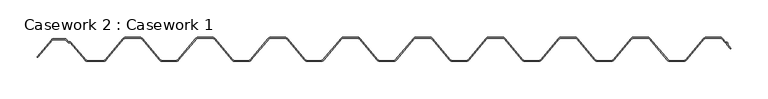
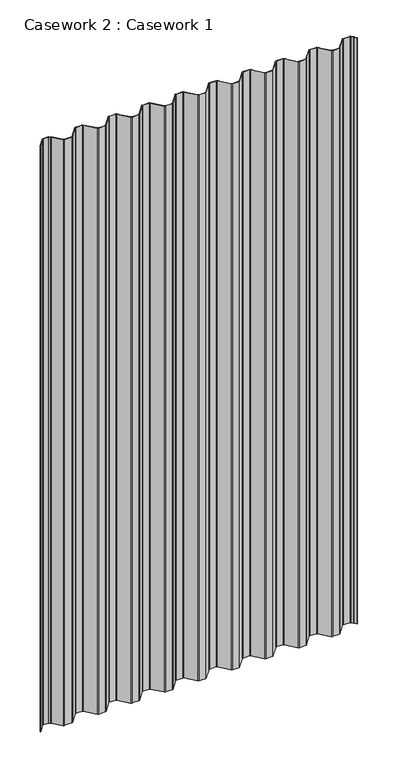
"""IFC4 building model written with IfcOpenShell, lengths in millimetres: furniture geometry, Casework 2 : Casework 1."""

from ifc_helpers import new_model, si_unit, point, frame, frame_2d, origin, place, context, project, spatial, polyline, circle_curve, trimmed, segment, composite_curve, outline, extrude, source, transform, mapped, element, save


def casework_2_casework_1_61cee56f(model_context):
    return source(origin(), model_context, "Body", "SweptSolid", [
        extrude(outline(composite_curve([segment(polyline([(14970.6371749, 641.4396721), (14970.8426386, 643.672881), (14968.6094297, 643.8783447), (14964.1903616, 649.1929472)]), True, "CONTINUOUS"), segment(trimmed(circle_curve(frame_2d((14961.893565, 647.2629924)), 3.0), [point((14964.1903616, 649.1929472))], [point((14961.893565, 650.2629924))], True, "CARTESIAN"), True, "CONTINUOUS"), segment(polyline([(14961.893565, 650.2629924), (14942.8935645, 650.2629919)]), True, "CONTINUOUS"), segment(trimmed(circle_curve(frame_2d((14942.8935646, 647.2629919)), 3.0), [point((14942.8935645, 650.2629919))], [point((14940.5999142, 649.1966847))], True, "CARTESIAN"), True, "CONTINUOUS"), segment(polyline([(14940.5999142, 649.1966847), (14916.3517655, 620.4347353)]), True, "CONTINUOUS"), segment(trimmed(circle_curve(frame_2d((14913.293565, 623.0129924)), 4.0), [point((14916.3517655, 620.4347353))], [point((14913.293565, 619.0129924))], False, "CARTESIAN"), True, "CONTINUOUS"), segment(polyline([(14913.293565, 619.0129924), (14894.273565, 619.0129924)]), True, "CONTINUOUS"), segment(trimmed(circle_curve(frame_2d((14894.273565, 623.0129924)), 4.0), [point((14894.273565, 619.0129924))], [point((14891.2153653, 620.4347344))], False, "CARTESIAN"), True, "CONTINUOUS"), segment(polyline([(14891.2153653, 620.4347344), (14866.9723112, 649.1906242)]), True, "CONTINUOUS"), segment(trimmed(circle_curve(frame_2d((14864.673565, 647.2629919)), 3.0), [point((14866.9723112, 649.1906242))], [point((14864.6735651, 650.2629919))], True, "CARTESIAN"), True, "CONTINUOUS"), segment(polyline([(14864.6735651, 650.2629919), (14845.6735651, 650.2629924)]), True, "CONTINUOUS"), segment(trimmed(circle_curve(frame_2d((14845.673565, 647.2629924)), 3.0), [point((14845.6735651, 650.2629924))], [point((14843.3747391, 649.1905296))], True, "CARTESIAN"), True, "CONTINUOUS"), segment(polyline([(14843.3747391, 649.1905296), (14819.1369428, 620.4408889)]), True, "CONTINUOUS"), segment(trimmed(circle_curve(frame_2d((14816.073565, 623.0129924)), 4.0), [point((14819.1369428, 620.4408889))], [point((14816.073565, 619.0129924))], False, "CARTESIAN"), True, "CONTINUOUS"), segment(polyline([(14816.073565, 619.0129924), (14797.051565, 619.0129924)]), True, "CONTINUOUS"), segment(trimmed(circle_curve(frame_2d((14797.051565, 623.0129924)), 4.0), [point((14797.051565, 619.0129924))], [point((14793.9881873, 620.4408889))], False, "CARTESIAN"), True, "CONTINUOUS"), segment(polyline([(14793.9881873, 620.4408889), (14769.7503113, 649.1906241)]), True, "CONTINUOUS"), segment(trimmed(circle_curve(frame_2d((14767.451565, 647.2629919)), 3.0), [point((14769.7503113, 649.1906241))], [point((14767.451565, 650.2629919))], True, "CARTESIAN"), True, "CONTINUOUS"), segment(polyline([(14767.451565, 650.2629919), (14748.4533174, 650.2629919)]), True, "CONTINUOUS"), segment(trimmed(circle_curve(frame_2d((14748.451565, 647.2629924)), 3.0), [point((14748.4533174, 650.2629919))], [point((14746.1579147, 649.1966852))], True, "CARTESIAN"), True, "CONTINUOUS"), segment(polyline([(14746.1579147, 649.1966852), (14721.9097655, 620.4347353)]), True, "CONTINUOUS"), segment(trimmed(circle_curve(frame_2d((14718.851565, 623.0129924)), 4.0), [point((14721.9097655, 620.4347353))], [point((14718.851565, 619.0129924))], False, "CARTESIAN"), True, "CONTINUOUS"), segment(polyline([(14718.851565, 619.0129924), (14699.829565, 619.0129924)]), True, "CONTINUOUS"), segment(trimmed(circle_curve(frame_2d((14699.829565, 623.0129924)), 4.0), [point((14699.829565, 619.0129924))], [point((14696.7661873, 620.4408889))], False, "CARTESIAN"), True, "CONTINUOUS"), segment(polyline([(14696.7661873, 620.4408889), (14672.5283113, 649.1906241)]), True, "CONTINUOUS"), segment(trimmed(circle_curve(frame_2d((14670.229565, 647.2629919)), 3.0), [point((14672.5283113, 649.1906241))], [point((14670.229565, 650.2629919))], True, "CARTESIAN"), True, "CONTINUOUS"), segment(polyline([(14670.229565, 650.2629919), (14651.2313174, 650.2629919)]), True, "CONTINUOUS"), segment(trimmed(circle_curve(frame_2d((14651.229565, 647.2629924)), 3.0), [point((14651.2313174, 650.2629919))], [point((14648.9359151, 649.1966857))], True, "CARTESIAN"), True, "CONTINUOUS"), segment(polyline([(14648.9359151, 649.1966857), (14624.6929428, 620.4408889)]), True, "CONTINUOUS"), segment(trimmed(circle_curve(frame_2d((14621.629565, 623.0129924)), 4.0), [point((14624.6929428, 620.4408889))], [point((14621.629565, 619.0129924))], False, "CARTESIAN"), True, "CONTINUOUS"), segment(polyline([(14621.629565, 619.0129924), (14602.607565, 619.0129924)]), True, "CONTINUOUS"), segment(trimmed(circle_curve(frame_2d((14602.607565, 623.0129924)), 4.0), [point((14602.607565, 619.0129924))], [point((14599.5441873, 620.4408889))], False, "CARTESIAN"), True, "CONTINUOUS"), segment(polyline([(14599.5441873, 620.4408889), (14575.3063113, 649.1906241)]), True, "CONTINUOUS"), segment(trimmed(circle_curve(frame_2d((14573.007565, 647.2629919)), 3.0), [point((14575.3063113, 649.1906241))], [point((14573.0075651, 650.2629919))], True, "CARTESIAN"), True, "CONTINUOUS"), segment(polyline([(14573.0075651, 650.2629919), (14554.0075651, 650.2629924)]), True, "CONTINUOUS"), segment(trimmed(circle_curve(frame_2d((14554.007565, 647.2629924)), 3.0), [point((14554.0075651, 650.2629924))], [point((14551.7087392, 649.1905297))], True, "CARTESIAN"), True, "CONTINUOUS"), segment(polyline([(14551.7087392, 649.1905297), (14527.4657648, 620.4347344)]), True, "CONTINUOUS"), segment(trimmed(circle_curve(frame_2d((14524.407565, 623.0129924)), 4.0), [point((14527.4657648, 620.4347344))], [point((14524.407565, 619.0129924))], False, "CARTESIAN"), True, "CONTINUOUS"), segment(polyline([(14524.407565, 619.0129924), (14505.385565, 619.0129924)]), True, "CONTINUOUS"), segment(trimmed(circle_curve(frame_2d((14505.385565, 623.0129924)), 4.0), [point((14505.385565, 619.0129924))], [point((14502.3273645, 620.4347353))], False, "CARTESIAN"), True, "CONTINUOUS"), segment(polyline([(14502.3273645, 620.4347353), (14478.0792154, 649.1966852)]), True, "CONTINUOUS"), segment(trimmed(circle_curve(frame_2d((14475.785565, 647.2629924)), 3.0), [point((14478.0792154, 649.1966852))], [point((14475.785565, 650.2629924))], True, "CARTESIAN"), True, "CONTINUOUS"), segment(polyline([(14475.785565, 650.2629924), (14456.7855645, 650.2629919)]), True, "CONTINUOUS"), segment(trimmed(circle_curve(frame_2d((14456.7855646, 647.2629919)), 3.0), [point((14456.7855645, 650.2629919))], [point((14454.4919146, 649.1966852))], True, "CARTESIAN"), True, "CONTINUOUS"), segment(polyline([(14454.4919146, 649.1966852), (14430.2489428, 620.4408889)]), True, "CONTINUOUS"), segment(trimmed(circle_curve(frame_2d((14427.185565, 623.0129924)), 4.0), [point((14430.2489428, 620.4408889))], [point((14427.185565, 619.0129924))], False, "CARTESIAN"), True, "CONTINUOUS"), segment(polyline([(14427.185565, 619.0129924), (14408.161565, 619.0129924)]), True, "CONTINUOUS"), segment(trimmed(circle_curve(frame_2d((14408.161565, 623.0129924)), 4.0), [point((14408.161565, 619.0129924))], [point((14405.0981873, 620.4408889))], False, "CARTESIAN"), True, "CONTINUOUS"), segment(polyline([(14405.0981873, 620.4408889), (14380.8603113, 649.1906241)]), True, "CONTINUOUS"), segment(trimmed(circle_curve(frame_2d((14378.561565, 647.2629919)), 3.0), [point((14380.8603113, 649.1906241))], [point((14378.5615651, 650.2629919))], True, "CARTESIAN"), True, "CONTINUOUS"), segment(polyline([(14378.5615651, 650.2629919), (14359.5615651, 650.2629924)]), True, "CONTINUOUS"), segment(trimmed(circle_curve(frame_2d((14359.561565, 647.2629924)), 3.0), [point((14359.5615651, 650.2629924))], [point((14357.2627391, 649.1905296))], True, "CARTESIAN"), True, "CONTINUOUS"), segment(polyline([(14357.2627391, 649.1905296), (14333.0249428, 620.4408889)]), True, "CONTINUOUS"), segment(trimmed(circle_curve(frame_2d((14329.961565, 623.0129924)), 4.0), [point((14333.0249428, 620.4408889))], [point((14329.961565, 619.0129924))], False, "CARTESIAN"), True, "CONTINUOUS"), segment(polyline([(14329.961565, 619.0129924), (14310.939565, 619.0129924)]), True, "CONTINUOUS"), segment(trimmed(circle_curve(frame_2d((14310.939565, 623.0129924)), 4.0), [point((14310.939565, 619.0129924))], [point((14307.8761873, 620.4408889))], False, "CARTESIAN"), True, "CONTINUOUS"), segment(polyline([(14307.8761873, 620.4408889), (14283.6383113, 649.1906241)]), True, "CONTINUOUS"), segment(trimmed(circle_curve(frame_2d((14281.339565, 647.2629919)), 3.0), [point((14283.6383113, 649.1906241))], [point((14281.3395651, 650.2629919))], True, "CARTESIAN"), True, "CONTINUOUS"), segment(polyline([(14281.3395651, 650.2629919), (14262.3395651, 650.2629924)]), True, "CONTINUOUS"), segment(trimmed(circle_curve(frame_2d((14262.339565, 647.2629924)), 3.0), [point((14262.3395651, 650.2629924))], [point((14260.0407391, 649.1905296))], True, "CARTESIAN"), True, "CONTINUOUS"), segment(polyline([(14260.0407391, 649.1905296), (14235.8029428, 620.4408889)]), True, "CONTINUOUS"), segment(trimmed(circle_curve(frame_2d((14232.739565, 623.0129924)), 4.0), [point((14235.8029428, 620.4408889))], [point((14232.739565, 619.0129924))], False, "CARTESIAN"), True, "CONTINUOUS"), segment(polyline([(14232.739565, 619.0129924), (14213.717565, 619.0129924)]), True, "CONTINUOUS"), segment(trimmed(circle_curve(frame_2d((14213.717565, 623.0129924)), 4.0), [point((14213.717565, 619.0129924))], [point((14210.6541873, 620.4408889))], False, "CARTESIAN"), True, "CONTINUOUS"), segment(polyline([(14210.6541873, 620.4408889), (14186.4163113, 649.1906241)]), True, "CONTINUOUS"), segment(trimmed(circle_curve(frame_2d((14184.117565, 647.2629919)), 3.0), [point((14186.4163113, 649.1906241))], [point((14184.1175651, 650.2629919))], True, "CARTESIAN"), True, "CONTINUOUS"), segment(polyline([(14184.1175651, 650.2629919), (14165.1175651, 650.2629924)]), True, "CONTINUOUS"), segment(trimmed(circle_curve(frame_2d((14165.117565, 647.2629924)), 3.0), [point((14165.1175651, 650.2629924))], [point((14162.8187391, 649.1905296))], True, "CARTESIAN"), True, "CONTINUOUS"), segment(polyline([(14162.8187391, 649.1905296), (14138.5809428, 620.4408889)]), True, "CONTINUOUS"), segment(trimmed(circle_curve(frame_2d((14135.517565, 623.0129924)), 4.0), [point((14138.5809428, 620.4408889))], [point((14135.517565, 619.0129924))], False, "CARTESIAN"), True, "CONTINUOUS"), segment(polyline([(14135.517565, 619.0129924), (14113.7367355, 619.0129924)]), True, "CONTINUOUS"), segment(trimmed(circle_curve(frame_2d((14113.7367355, 623.0129924)), 4.0), [point((14113.7367355, 619.0129924))], [point((14110.6874313, 620.4242198))], False, "CARTESIAN"), True, "CONTINUOUS"), segment(polyline([(14110.6874313, 620.4242198), (14090.5584949, 644.2629924), (14088.6630823, 644.2629924)]), True, "CONTINUOUS"), segment(trimmed(circle_curve(frame_2d((14088.6630823, 646.2629924)), 2.0), [point((14088.6630823, 644.2629924))], [point((14087.1252507, 644.9842923))], False, "CARTESIAN"), True, "CONTINUOUS"), segment(polyline([(14087.1252507, 644.9842923), (14084.3925009, 648.2708403), (14068.9399323, 648.2629924)]), True, "CONTINUOUS"), segment(trimmed(circle_curve(frame_2d((14068.9399323, 645.2629924)), 3.0), [point((14068.9399323, 648.2629924))], [point((14066.6514749, 647.2028282))], True, "CARTESIAN"), True, "CONTINUOUS"), segment(polyline([(14066.6514749, 647.2028282), (14047.5196012, 624.5095632)]), True, "CONTINUOUS"), segment(trimmed(circle_curve(frame_2d((14047.1876551, 624.8872827)), 0.5028521), [point((14047.5196012, 624.5095632))], [point((14046.7966256, 625.2034411))], False, "CARTESIAN"), True, "CONTINUOUS"), segment(polyline([(14046.7966256, 625.2034411), (14065.8757545, 647.8341429)]), True, "CONTINUOUS"), segment(trimmed(circle_curve(frame_2d((14068.9399323, 645.2629924)), 4.0), [point((14065.8757545, 647.8341429))], [point((14068.9399323, 649.2629924))], False, "CARTESIAN"), True, "CONTINUOUS"), segment(polyline([(14068.9399323, 649.2629924), (14084.391993, 649.27084)]), True, "CONTINUOUS"), segment(trimmed(circle_curve(frame_2d((14084.3925009, 648.2708403)), 1.0), [point((14084.391993, 649.27084))], [point((14085.1614167, 648.9101903))], False, "CARTESIAN"), True, "CONTINUOUS"), segment(polyline([(14085.1614167, 648.9101903), (14087.8941665, 645.6236424)]), True, "CONTINUOUS"), segment(trimmed(circle_curve(frame_2d((14088.6630823, 646.2629924)), 1.0), [point((14087.8941665, 645.6236424))], [point((14088.6630823, 645.2629924))], True, "CARTESIAN"), True, "CONTINUOUS"), segment(polyline([(14088.6630823, 645.2629924), (14091.0229233, 645.2629924), (14111.4386022, 621.0846296)]), True, "CONTINUOUS"), segment(trimmed(circle_curve(frame_2d((14113.7367355, 623.0129924)), 3.0), [point((14111.4386022, 621.0846296))], [point((14113.7367355, 620.0129924))], True, "CARTESIAN"), True, "CONTINUOUS"), segment(polyline([(14113.7367355, 620.0129924), (14135.517565, 620.0129924)]), True, "CONTINUOUS"), segment(trimmed(circle_curve(frame_2d((14135.517565, 623.0129924)), 3.0), [point((14135.517565, 620.0129924))], [point((14137.8156984, 621.0846296))], True, "CARTESIAN"), True, "CONTINUOUS"), segment(polyline([(14137.8156984, 621.0846296), (14162.0533873, 649.8341429)]), True, "CONTINUOUS"), segment(trimmed(circle_curve(frame_2d((14165.117565, 647.2629924)), 4.0), [point((14162.0533873, 649.8341429))], [point((14165.117565, 651.2629924))], False, "CARTESIAN"), True, "CONTINUOUS"), segment(polyline([(14165.117565, 651.2629924), (14184.117565, 651.2629924)]), True, "CONTINUOUS"), segment(trimmed(circle_curve(frame_2d((14184.117565, 647.2629924)), 4.0), [point((14184.117565, 651.2629924))], [point((14187.1817428, 649.8341429))], False, "CARTESIAN"), True, "CONTINUOUS"), segment(polyline([(14187.1817428, 649.8341429), (14211.4194317, 621.0846296)]), True, "CONTINUOUS"), segment(trimmed(circle_curve(frame_2d((14213.717565, 623.0129924)), 3.0), [point((14211.4194317, 621.0846296))], [point((14213.717565, 620.0129924))], True, "CARTESIAN"), True, "CONTINUOUS"), segment(polyline([(14213.717565, 620.0129924), (14232.739565, 620.0129924)]), True, "CONTINUOUS"), segment(trimmed(circle_curve(frame_2d((14232.739565, 623.0129924)), 3.0), [point((14232.739565, 620.0129924))], [point((14235.0376984, 621.0846296))], True, "CARTESIAN"), True, "CONTINUOUS"), segment(polyline([(14235.0376984, 621.0846296), (14259.2753873, 649.8341429)]), True, "CONTINUOUS"), segment(trimmed(circle_curve(frame_2d((14262.339565, 647.2629924)), 4.0), [point((14259.2753873, 649.8341429))], [point((14262.339565, 651.2629924))], False, "CARTESIAN"), True, "CONTINUOUS"), segment(polyline([(14262.339565, 651.2629924), (14281.339565, 651.2629924)]), True, "CONTINUOUS"), segment(trimmed(circle_curve(frame_2d((14281.339565, 647.2629924)), 4.0), [point((14281.339565, 651.2629924))], [point((14284.4037428, 649.8341429))], False, "CARTESIAN"), True, "CONTINUOUS"), segment(polyline([(14284.4037428, 649.8341429), (14308.6414317, 621.0846296)]), True, "CONTINUOUS"), segment(trimmed(circle_curve(frame_2d((14310.939565, 623.0129924)), 3.0), [point((14308.6414317, 621.0846296))], [point((14310.939565, 620.0129924))], True, "CARTESIAN"), True, "CONTINUOUS"), segment(polyline([(14310.939565, 620.0129924), (14329.961565, 620.0129924)]), True, "CONTINUOUS"), segment(trimmed(circle_curve(frame_2d((14329.961565, 623.0129924)), 3.0), [point((14329.961565, 620.0129924))], [point((14332.2596984, 621.0846296))], True, "CARTESIAN"), True, "CONTINUOUS"), segment(polyline([(14332.2596984, 621.0846296), (14356.4973873, 649.8341429)]), True, "CONTINUOUS"), segment(trimmed(circle_curve(frame_2d((14359.561565, 647.2629924)), 4.0), [point((14356.4973873, 649.8341429))], [point((14359.561565, 651.2629924))], False, "CARTESIAN"), True, "CONTINUOUS"), segment(polyline([(14359.561565, 651.2629924), (14378.561565, 651.2629924)]), True, "CONTINUOUS"), segment(trimmed(circle_curve(frame_2d((14378.561565, 647.2629924)), 4.0), [point((14378.561565, 651.2629924))], [point((14381.6257428, 649.8341429))], False, "CARTESIAN"), True, "CONTINUOUS"), segment(polyline([(14381.6257428, 649.8341429), (14405.8634317, 621.0846296)]), True, "CONTINUOUS"), segment(trimmed(circle_curve(frame_2d((14408.161565, 623.0129924)), 3.0), [point((14405.8634317, 621.0846296))], [point((14408.161565, 620.0129924))], True, "CARTESIAN"), True, "CONTINUOUS"), segment(polyline([(14408.161565, 620.0129924), (14427.185565, 620.0129924)]), True, "CONTINUOUS"), segment(trimmed(circle_curve(frame_2d((14427.185565, 623.0129924)), 3.0), [point((14427.185565, 620.0129924))], [point((14429.4836984, 621.0846296))], True, "CARTESIAN"), True, "CONTINUOUS"), segment(polyline([(14429.4836984, 621.0846296), (14453.7273651, 649.8412502)]), True, "CONTINUOUS"), segment(trimmed(circle_curve(frame_2d((14456.785565, 647.2629924)), 4.0), [point((14453.7273651, 649.8412502))], [point((14456.785565, 651.2629924))], False, "CARTESIAN"), True, "CONTINUOUS"), segment(polyline([(14456.785565, 651.2629924), (14475.785565, 651.2629924)]), True, "CONTINUOUS"), segment(trimmed(circle_curve(frame_2d((14475.785565, 647.2629924)), 4.0), [point((14475.785565, 651.2629924))], [point((14478.8437655, 649.8412495))], False, "CARTESIAN"), True, "CONTINUOUS"), segment(polyline([(14478.8437655, 649.8412495), (14503.0919147, 621.0792996)]), True, "CONTINUOUS"), segment(trimmed(circle_curve(frame_2d((14505.385565, 623.0129924)), 3.0), [point((14503.0919147, 621.0792996))], [point((14505.385565, 620.0129924))], True, "CARTESIAN"), True, "CONTINUOUS"), segment(polyline([(14505.385565, 620.0129924), (14524.407565, 620.0129924)]), True, "CONTINUOUS"), segment(trimmed(circle_curve(frame_2d((14524.407565, 623.0129924)), 3.0), [point((14524.407565, 620.0129924))], [point((14526.7012149, 621.0792989))], True, "CARTESIAN"), True, "CONTINUOUS"), segment(polyline([(14526.7012149, 621.0792989), (14550.9433873, 649.8341429)]), True, "CONTINUOUS"), segment(trimmed(circle_curve(frame_2d((14554.007565, 647.2629924)), 4.0), [point((14550.9433873, 649.8341429))], [point((14554.007565, 651.2629924))], False, "CARTESIAN"), True, "CONTINUOUS"), segment(polyline([(14554.007565, 651.2629924), (14573.007565, 651.2629924)]), True, "CONTINUOUS"), segment(trimmed(circle_curve(frame_2d((14573.007565, 647.2629924)), 4.0), [point((14573.007565, 651.2629924))], [point((14576.0717428, 649.8341429))], False, "CARTESIAN"), True, "CONTINUOUS"), segment(polyline([(14576.0717428, 649.8341429), (14600.3094317, 621.0846296)]), True, "CONTINUOUS"), segment(trimmed(circle_curve(frame_2d((14602.607565, 623.0129924)), 3.0), [point((14600.3094317, 621.0846296))], [point((14602.607565, 620.0129924))], True, "CARTESIAN"), True, "CONTINUOUS"), segment(polyline([(14602.607565, 620.0129924), (14621.629565, 620.0129924)]), True, "CONTINUOUS"), segment(trimmed(circle_curve(frame_2d((14621.629565, 623.0129924)), 3.0), [point((14621.629565, 620.0129924))], [point((14623.9276984, 621.0846296))], True, "CARTESIAN"), True, "CONTINUOUS"), segment(polyline([(14623.9276984, 621.0846296), (14648.1713651, 649.8412502)]), True, "CONTINUOUS"), segment(trimmed(circle_curve(frame_2d((14651.229565, 647.2629924)), 4.0), [point((14648.1713651, 649.8412502))], [point((14651.229565, 651.2629924))], False, "CARTESIAN"), True, "CONTINUOUS"), segment(polyline([(14651.229565, 651.2629924), (14670.229565, 651.2629924)]), True, "CONTINUOUS"), segment(trimmed(circle_curve(frame_2d((14670.229565, 647.2629924)), 4.0), [point((14670.229565, 651.2629924))], [point((14673.2937428, 649.8341429))], False, "CARTESIAN"), True, "CONTINUOUS"), segment(polyline([(14673.2937428, 649.8341429), (14697.5314317, 621.0846296)]), True, "CONTINUOUS"), segment(trimmed(circle_curve(frame_2d((14699.829565, 623.0129924)), 3.0), [point((14697.5314317, 621.0846296))], [point((14699.829565, 620.0129924))], True, "CARTESIAN"), True, "CONTINUOUS"), segment(polyline([(14699.829565, 620.0129924), (14718.851565, 620.0129924)]), True, "CONTINUOUS"), segment(trimmed(circle_curve(frame_2d((14718.851565, 623.0129924)), 3.0), [point((14718.851565, 620.0129924))], [point((14721.1452154, 621.0792996))], True, "CARTESIAN"), True, "CONTINUOUS"), segment(polyline([(14721.1452154, 621.0792996), (14745.3933645, 649.8412495)]), True, "CONTINUOUS"), segment(trimmed(circle_curve(frame_2d((14748.451565, 647.2629924)), 4.0), [point((14745.3933645, 649.8412495))], [point((14748.451565, 651.2629924))], False, "CARTESIAN"), True, "CONTINUOUS"), segment(polyline([(14748.451565, 651.2629924), (14767.451565, 651.2629924)]), True, "CONTINUOUS"), segment(trimmed(circle_curve(frame_2d((14767.451565, 647.2629924)), 4.0), [point((14767.451565, 651.2629924))], [point((14770.5157428, 649.8341429))], False, "CARTESIAN"), True, "CONTINUOUS"), segment(polyline([(14770.5157428, 649.8341429), (14794.7534317, 621.0846296)]), True, "CONTINUOUS"), segment(trimmed(circle_curve(frame_2d((14797.051565, 623.0129924)), 3.0), [point((14794.7534317, 621.0846296))], [point((14797.051565, 620.0129924))], True, "CARTESIAN"), True, "CONTINUOUS"), segment(polyline([(14797.051565, 620.0129924), (14816.073565, 620.0129924)]), True, "CONTINUOUS"), segment(trimmed(circle_curve(frame_2d((14816.073565, 623.0129924)), 3.0), [point((14816.073565, 620.0129924))], [point((14818.3716984, 621.0846296))], True, "CARTESIAN"), True, "CONTINUOUS"), segment(polyline([(14818.3716984, 621.0846296), (14842.6093873, 649.8341429)]), True, "CONTINUOUS"), segment(trimmed(circle_curve(frame_2d((14845.673565, 647.2629924)), 4.0), [point((14842.6093873, 649.8341429))], [point((14845.673565, 651.2629924))], False, "CARTESIAN"), True, "CONTINUOUS"), segment(polyline([(14845.673565, 651.2629924), (14864.673565, 651.2629924)]), True, "CONTINUOUS"), segment(trimmed(circle_curve(frame_2d((14864.673565, 647.2629924)), 4.0), [point((14864.673565, 651.2629924))], [point((14867.7377428, 649.8341429))], False, "CARTESIAN"), True, "CONTINUOUS"), segment(polyline([(14867.7377428, 649.8341429), (14891.9799152, 621.0792989)]), True, "CONTINUOUS"), segment(trimmed(circle_curve(frame_2d((14894.273565, 623.0129924)), 3.0), [point((14891.9799152, 621.0792989))], [point((14894.273565, 620.0129924))], True, "CARTESIAN"), True, "CONTINUOUS"), segment(polyline([(14894.273565, 620.0129924), (14913.293565, 620.0129924)]), True, "CONTINUOUS"), segment(trimmed(circle_curve(frame_2d((14913.293565, 623.0129924)), 3.0), [point((14913.293565, 620.0129924))], [point((14915.5872154, 621.0792996))], True, "CARTESIAN"), True, "CONTINUOUS"), segment(polyline([(14915.5872154, 621.0792996), (14939.8353645, 649.8412495)]), True, "CONTINUOUS"), segment(trimmed(circle_curve(frame_2d((14942.893565, 647.2629924)), 4.0), [point((14939.8353645, 649.8412495))], [point((14942.893565, 651.2629924))], False, "CARTESIAN"), True, "CONTINUOUS"), segment(polyline([(14942.893565, 651.2629924), (14961.893565, 651.2629924)]), True, "CONTINUOUS"), segment(trimmed(circle_curve(frame_2d((14961.893565, 647.2629924)), 4.0), [point((14961.893565, 651.2629924))], [point((14964.9577428, 649.8341429))], False, "CARTESIAN"), True, "CONTINUOUS"), segment(polyline([(14964.9577428, 649.8341429), (14969.113518, 644.8361901), (14971.2259168, 644.6418414), (14971.8652668, 643.8729256), (14971.6709182, 641.7605268), (14975.8266934, 636.762574)]), True, "CONTINUOUS"), segment(trimmed(circle_curve(frame_2d((14975.4389812, 636.440193)), 0.5042323), [point((14975.8266934, 636.762574))], [point((14975.1166002, 636.0524808))], False, "CARTESIAN"), True, "CONTINUOUS"), segment(polyline([(14975.1166002, 636.0524808), (14970.6371749, 641.4396721)]), True, "CONTINUOUS")], self_intersect=False)), frame((0.0, 0.0, -1746.662203), z_axis=(0.0, 0.0, 1.0), x_axis=(1.0, 0.0, 0.0)), (0.0, 0.0, 1.0), 1800.0),
    ])


if __name__ == "__main__":
    model = new_model("IFC4")
    model_context = context("Model", 3, world=origin())
    ifc_project = project(units=[si_unit("LENGTHUNIT", "METRE", prefix="MILLI")], contexts=[model_context])
    site = spatial("IfcSite", under=ifc_project)
    building = spatial("IfcBuilding", under=site)
    placement = place(None, origin())
    casework_2_casework_1_shape = casework_2_casework_1_61cee56f(model_context)
    element("IfcFurniture", 1, ObjectType="Casework 2 : Casework 1", at=placement, inside=building, context=model_context, shape_type="MappedRepresentation", body=[
        mapped(casework_2_casework_1_shape, transform((0.0, 0.0, 0.0), x_axis=(1.0, 0.0, 0.0), y_axis=(0.0, 1.0, 0.0), z_axis=(0.0, 0.0, 1.0))),
    ])
    save(model, "model.ifc")
